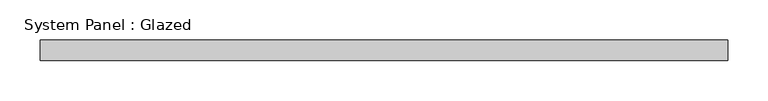
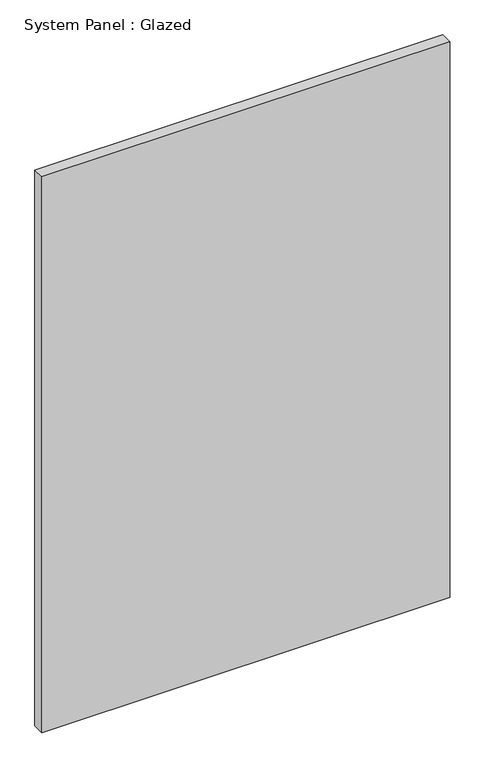
"""IFC4 building model written with IfcOpenShell, lengths in millimetres: plate geometry, System Panel : Glazed."""

from ifc_helpers import new_model, si_unit, origin, origin_with_axes, place, context, project, spatial, polyline, outline, extrude, source, transform, mapped, element, save


def system_panel_glazed_7e840d22(model_context):
    return source(origin(), model_context, "Body", "SweptSolid", [
        extrude(outline(polyline([(425.0000002, 24.5), (-425.0000002, 24.5), (-425.0000002, 49.5), (425.0000002, 49.5), (425.0000002, 24.5)])), origin_with_axes(), (0.0, 0.0, 1.0), 1225.0),
    ])


if __name__ == "__main__":
    model = new_model("IFC4")
    model_context = context("Model", 3, world=origin())
    ifc_project = project(units=[si_unit("LENGTHUNIT", "METRE", prefix="MILLI")], contexts=[model_context])
    site = spatial("IfcSite", under=ifc_project)
    building = spatial("IfcBuilding", under=site)
    placement = place(None, origin())
    system_panel_glazed_shape = system_panel_glazed_7e840d22(model_context)
    element("IfcPlate", 1, ObjectType="System Panel : Glazed", at=placement, inside=building, context=model_context, shape_type="MappedRepresentation", body=[
        mapped(system_panel_glazed_shape, transform((0.0, 0.0, 0.0), x_axis=(1.0, 0.0, 0.0), y_axis=(0.0, 1.0, 0.0), z_axis=(0.0, 0.0, 1.0))),
    ])
    save(model, "model.ifc")
